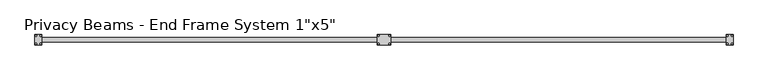
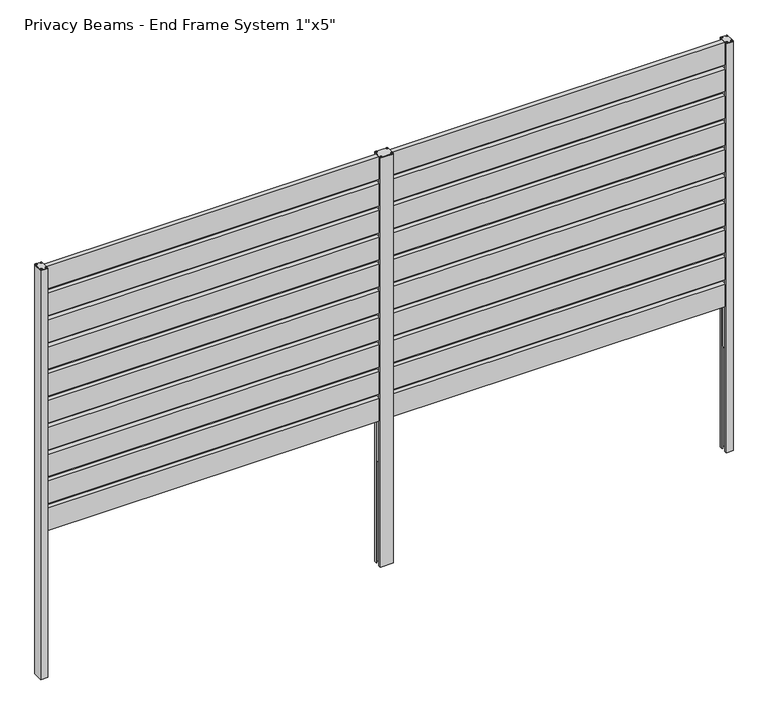
"""IFC4 building model written with IfcOpenShell, lengths in millimetres: railing geometry."""

from ifc_helpers import new_model, si_unit, point, frame, frame_2d, origin, origin_with_axes, place, context, project, spatial, polyline, circle_curve, trimmed, segment, composite_curve, outline, extrude, source, transform, mapped, element, save


def railing_8815a171(model_context):
    return source(origin(), model_context, "Body", "SweptSolid", [
        extrude(outline(polyline([(4072.4719409, -43.6565), (4072.4719409, -18.2565), (7768.1719409, -18.2565), (7768.1719409, -43.6565), (4072.4719409, -43.6565)])), frame((0.0, 0.0, 1612.9), z_axis=(0.0, 0.0, 1.0), x_axis=(1.0, 0.0, 0.0)), (0.0, 0.0, 1.0), 127.0),
        extrude(outline(polyline([(4072.4719409, -43.6565), (4072.4719409, -18.2565), (7768.1719409, -18.2565), (7768.1719409, -43.6565), (4072.4719409, -43.6565)])), frame((0.0, 0.0, 1460.5), z_axis=(0.0, 0.0, 1.0), x_axis=(1.0, 0.0, 0.0)), (0.0, 0.0, 1.0), 127.0),
        extrude(outline(polyline([(4072.4719409, -43.6565), (4072.4719409, -18.2565), (7768.1719409, -18.2565), (7768.1719409, -43.6565), (4072.4719409, -43.6565)])), frame((0.0, 0.0, 1308.1), z_axis=(0.0, 0.0, 1.0), x_axis=(1.0, 0.0, 0.0)), (0.0, 0.0, 1.0), 127.0),
        extrude(outline(polyline([(4072.4719409, -43.6565), (4072.4719409, -18.2565), (7768.1719409, -18.2565), (7768.1719409, -43.6565), (4072.4719409, -43.6565)])), frame((0.0, 0.0, 1155.7), z_axis=(0.0, 0.0, 1.0), x_axis=(1.0, 0.0, 0.0)), (0.0, 0.0, 1.0), 127.0),
        extrude(outline(polyline([(4072.4719409, -43.6565), (4072.4719409, -18.2565), (7768.1719409, -18.2565), (7768.1719409, -43.6565), (4072.4719409, -43.6565)])), frame((0.0, 0.0, 1003.3), z_axis=(0.0, 0.0, 1.0), x_axis=(1.0, 0.0, 0.0)), (0.0, 0.0, 1.0), 127.0),
        extrude(outline(polyline([(4072.4719409, -43.6565), (4072.4719409, -18.2565), (7768.1719409, -18.2565), (7768.1719409, -43.6565), (4072.4719409, -43.6565)])), frame((0.0, 0.0, 850.9), z_axis=(0.0, 0.0, 1.0), x_axis=(1.0, 0.0, 0.0)), (0.0, 0.0, 1.0), 127.0),
        extrude(outline(polyline([(4072.4719409, -43.6565), (4072.4719409, -18.2565), (7768.1719409, -18.2565), (7768.1719409, -43.6565), (4072.4719409, -43.6565)])), frame((0.0, 0.0, 698.5), z_axis=(0.0, 0.0, 1.0), x_axis=(1.0, 0.0, 0.0)), (0.0, 0.0, 1.0), 127.0),
        extrude(outline(polyline([(4072.4719409, -43.6565), (4072.4719409, -18.2565), (7768.1719409, -18.2565), (7768.1719409, -43.6565), (4072.4719409, -43.6565)])), frame((0.0, 0.0, 546.1), z_axis=(0.0, 0.0, 1.0), x_axis=(1.0, 0.0, 0.0)), (0.0, 0.0, 1.0), 127.0),
        extrude(outline(polyline([(4072.4719409, -43.6565), (4072.4719409, -18.2565), (7768.1719409, -18.2565), (7768.1719409, -43.6565), (4072.4719409, -43.6565)])), frame((0.0, 0.0, 393.7), z_axis=(0.0, 0.0, 1.0), x_axis=(1.0, 0.0, 0.0)), (0.0, 0.0, 1.0), 127.0),
        extrude(outline(polyline([(4072.4719409, -43.6565), (4072.4719409, -18.2565), (7768.1719409, -18.2565), (7768.1719409, -43.6565), (4072.4719409, -43.6565)])), frame((0.0, 0.0, 241.3), z_axis=(0.0, 0.0, 1.0), x_axis=(1.0, 0.0, 0.0)), (0.0, 0.0, 1.0), 127.0),
        extrude(outline(polyline([(5888.9209879, -13.4105), (5918.3854879, -13.4105), (5918.3854879, -48.5025), (5888.9209879, -48.5025), (5888.9209879, -13.4105)])), origin_with_axes(), (0.0, 0.0, 1.0), 1739.9),
        extrude(outline(polyline([(5951.722894, -13.4105), (5951.722894, -48.5025), (5922.258394, -48.5025), (5922.258394, -13.4105), (5951.722894, -13.4105)])), origin_with_axes(), (0.0, 0.0, 1.0), 1739.9),
        extrude(outline(polyline([(5885.3967379, -3.969), (5955.247144, -3.969), (5955.247144, -17.4691), (5952.071644, -17.4691), (5952.071644, -7.144), (5921.909144, -7.144), (5921.909144, -54.769), (5952.071644, -54.769), (5952.071644, -44.4439), (5955.247144, -44.4439), (5955.247144, -57.944), (5885.3967379, -57.944), (5885.3967379, -44.4439), (5888.5722379, -44.4439), (5888.5722379, -54.769), (5918.7347379, -54.769), (5918.7347379, -7.144), (5888.5722379, -7.144), (5888.5722379, -17.4691), (5885.3967379, -17.4691), (5885.3967379, -3.969)])), frame((0.0, 0.0, -579.9666667), z_axis=(0.0, 0.0, 1.0), x_axis=(1.0, 0.0, 0.0)), (0.0, 0.0, 1.0), 2319.8666667),
        extrude(outline(polyline([(5885.3967379, -3.969), (5955.247144, -3.969), (5955.247144, -57.944), (5885.3967379, -57.944), (5885.3967379, -3.969)])), frame((0.0, 0.0, 1739.9), z_axis=(0.0, 0.0, 1.0), x_axis=(1.0, 0.0, 0.0)), (0.0, 0.0, 1.0), 4.0792363),
        extrude(outline(composite_curve([segment(trimmed(circle_curve(frame_2d((5890.9849625, -9.1125)), 4.2243107), [point((5886.7606518, -9.1125))], [point((5895.2092732, -9.1125))], False, "CARTESIAN"), True, "CONTINUOUS"), segment(trimmed(circle_curve(frame_2d((5890.9849625, -9.1125)), 4.2243107), [point((5895.2092732, -9.1125))], [point((5886.7606518, -9.1125))], False, "CARTESIAN"), True, "CONTINUOUS")], self_intersect=False)), frame((0.0, 0.0, 1743.9792363), z_axis=(0.0, 0.0, 1.0), x_axis=(1.0, 0.0, 0.0)), (0.0, 0.0, 1.0), 1.6499867),
        extrude(outline(composite_curve([segment(trimmed(circle_curve(frame_2d((5890.9849625, -52.8005)), 4.2243107), [point((5886.7606518, -52.8005))], [point((5895.2092732, -52.8005))], False, "CARTESIAN"), True, "CONTINUOUS"), segment(trimmed(circle_curve(frame_2d((5890.9849625, -52.8005)), 4.2243107), [point((5895.2092732, -52.8005))], [point((5886.7606518, -52.8005))], False, "CARTESIAN"), True, "CONTINUOUS")], self_intersect=False)), frame((0.0, 0.0, 1743.9792363), z_axis=(0.0, 0.0, 1.0), x_axis=(1.0, 0.0, 0.0)), (0.0, 0.0, 1.0), 1.6499867),
        extrude(outline(composite_curve([segment(trimmed(circle_curve(frame_2d((5949.6589194, -9.1125)), 4.2243107), [point((5945.4346087, -9.1125))], [point((5953.8832301, -9.1125))], False, "CARTESIAN"), True, "CONTINUOUS"), segment(trimmed(circle_curve(frame_2d((5949.6589194, -9.1125)), 4.2243107), [point((5953.8832301, -9.1125))], [point((5945.4346087, -9.1125))], False, "CARTESIAN"), True, "CONTINUOUS")], self_intersect=False)), frame((0.0, 0.0, 1743.9792363), z_axis=(0.0, 0.0, 1.0), x_axis=(1.0, 0.0, 0.0)), (0.0, 0.0, 1.0), 1.6499867),
        extrude(outline(composite_curve([segment(trimmed(circle_curve(frame_2d((5949.6589194, -52.8005)), 4.2243107), [point((5945.4346087, -52.8005))], [point((5953.88323, -52.8005))], False, "CARTESIAN"), True, "CONTINUOUS"), segment(trimmed(circle_curve(frame_2d((5949.6589194, -52.8005)), 4.2243107), [point((5953.88323, -52.8005))], [point((5945.4346087, -52.8005))], False, "CARTESIAN"), True, "CONTINUOUS")], self_intersect=False)), frame((0.0, 0.0, 1743.9792363), z_axis=(0.0, 0.0, 1.0), x_axis=(1.0, 0.0, 0.0)), (0.0, 0.0, 1.0), 1.6499867),
        extrude(outline(polyline([(7776.9034409, -3.969), (7776.9034409, -57.944), (7740.3904409, -57.944), (7740.3904409, -3.969), (7776.9034409, -3.969)])), frame((0.0, 0.0, 1739.9), z_axis=(0.0, 0.0, 1.0), x_axis=(1.0, 0.0, 0.0)), (0.0, 0.0, 1.0), 4.0792363),
        extrude(outline(polyline([(7743.9146909, -13.4105), (7773.3791909, -13.4105), (7773.3791909, -48.5025), (7743.9146909, -48.5025), (7743.9146909, -13.4105)])), origin_with_axes(), (0.0, 0.0, 1.0), 1739.9),
        extrude(outline(polyline([(7776.9034409, -3.969), (7776.9034409, -57.944), (7740.3904409, -57.944), (7740.3904409, -44.4439), (7743.5659409, -44.4439), (7743.5659409, -54.769), (7773.7284409, -54.769), (7773.7284409, -7.144), (7743.5659409, -7.144), (7743.5659409, -17.4691), (7740.3904409, -17.4691), (7740.3904409, -3.969), (7776.9034409, -3.969)])), frame((0.0, 0.0, -579.9666667), z_axis=(0.0, 0.0, 1.0), x_axis=(1.0, 0.0, 0.0)), (0.0, 0.0, 1.0), 2319.8666667),
        extrude(outline(composite_curve([segment(trimmed(circle_curve(frame_2d((7771.2329409, -9.1125)), 4.2243107), [point((7775.4572516, -9.1125))], [point((7767.0086302, -9.1125))], False, "CARTESIAN"), True, "CONTINUOUS"), segment(trimmed(circle_curve(frame_2d((7771.2329409, -9.1125)), 4.2243107), [point((7767.0086302, -9.1125))], [point((7775.4572516, -9.1125))], False, "CARTESIAN"), True, "CONTINUOUS")], self_intersect=False)), frame((0.0, 0.0, 1743.9792363), z_axis=(0.0, 0.0, 1.0), x_axis=(1.0, 0.0, 0.0)), (0.0, 0.0, 1.0), 1.6499867),
        extrude(outline(composite_curve([segment(trimmed(circle_curve(frame_2d((7746.0609409, -9.1125)), 4.2243107), [point((7750.2852516, -9.1125))], [point((7741.8366302, -9.1125))], False, "CARTESIAN"), True, "CONTINUOUS"), segment(trimmed(circle_curve(frame_2d((7746.0609409, -9.1125)), 4.2243107), [point((7741.8366302, -9.1125))], [point((7750.2852516, -9.1125))], False, "CARTESIAN"), True, "CONTINUOUS")], self_intersect=False)), frame((0.0, 0.0, 1743.9792363), z_axis=(0.0, 0.0, 1.0), x_axis=(1.0, 0.0, 0.0)), (0.0, 0.0, 1.0), 1.6499867),
        extrude(outline(composite_curve([segment(trimmed(circle_curve(frame_2d((7746.0609409, -52.8005)), 4.2243107), [point((7750.2852516, -52.8005))], [point((7741.8366302, -52.8005))], False, "CARTESIAN"), True, "CONTINUOUS"), segment(trimmed(circle_curve(frame_2d((7746.0609409, -52.8005)), 4.2243107), [point((7741.8366302, -52.8005))], [point((7750.2852516, -52.8005))], False, "CARTESIAN"), True, "CONTINUOUS")], self_intersect=False)), frame((0.0, 0.0, 1743.9792363), z_axis=(0.0, 0.0, 1.0), x_axis=(1.0, 0.0, 0.0)), (0.0, 0.0, 1.0), 1.6499867),
        extrude(outline(composite_curve([segment(trimmed(circle_curve(frame_2d((7771.2329409, -52.8005)), 4.2243107), [point((7775.4572516, -52.8005))], [point((7767.0086302, -52.8005))], False, "CARTESIAN"), True, "CONTINUOUS"), segment(trimmed(circle_curve(frame_2d((7771.2329409, -52.8005)), 4.2243107), [point((7767.0086302, -52.8005))], [point((7775.4572516, -52.8005))], False, "CARTESIAN"), True, "CONTINUOUS")], self_intersect=False)), frame((0.0, 0.0, 1743.9792363), z_axis=(0.0, 0.0, 1.0), x_axis=(1.0, 0.0, 0.0)), (0.0, 0.0, 1.0), 1.6499867),
        extrude(outline(polyline([(4063.7404409, -3.969), (4100.2534409, -3.969), (4100.2534409, -57.944), (4063.7404409, -57.944), (4063.7404409, -3.969)])), frame((0.0, 0.0, 1739.9), z_axis=(0.0, 0.0, 1.0), x_axis=(1.0, 0.0, 0.0)), (0.0, 0.0, 1.0), 4.0792363),
        extrude(outline(polyline([(4096.7291909, -13.4105), (4096.7291909, -48.5025), (4067.2646909, -48.5025), (4067.2646909, -13.4105), (4096.7291909, -13.4105)])), origin_with_axes(), (0.0, 0.0, 1.0), 1739.9),
        extrude(outline(polyline([(4063.7404409, -3.969), (4100.2534409, -3.969), (4100.2534409, -17.4691), (4097.0779409, -17.4691), (4097.0779409, -7.144), (4066.9154409, -7.144), (4066.9154409, -54.769), (4097.0779409, -54.769), (4097.0779409, -44.4439), (4100.2534409, -44.4439), (4100.2534409, -57.944), (4063.7404409, -57.944), (4063.7404409, -3.969)])), frame((0.0, 0.0, -579.9666667), z_axis=(0.0, 0.0, 1.0), x_axis=(1.0, 0.0, 0.0)), (0.0, 0.0, 1.0), 2319.8666667),
        extrude(outline(composite_curve([segment(trimmed(circle_curve(frame_2d((4069.4109409, -9.1125)), 4.2243107), [point((4065.1866302, -9.1125))], [point((4073.6352516, -9.1125))], False, "CARTESIAN"), True, "CONTINUOUS"), segment(trimmed(circle_curve(frame_2d((4069.4109409, -9.1125)), 4.2243107), [point((4073.6352516, -9.1125))], [point((4065.1866302, -9.1125))], False, "CARTESIAN"), True, "CONTINUOUS")], self_intersect=False)), frame((0.0, 0.0, 1743.9792363), z_axis=(0.0, 0.0, 1.0), x_axis=(1.0, 0.0, 0.0)), (0.0, 0.0, 1.0), 1.6499867),
        extrude(outline(composite_curve([segment(trimmed(circle_curve(frame_2d((4094.5829409, -9.1125)), 4.2243107), [point((4090.3586302, -9.1125))], [point((4098.8072516, -9.1125))], False, "CARTESIAN"), True, "CONTINUOUS"), segment(trimmed(circle_curve(frame_2d((4094.5829409, -9.1125)), 4.2243107), [point((4098.8072516, -9.1125))], [point((4090.3586302, -9.1125))], False, "CARTESIAN"), True, "CONTINUOUS")], self_intersect=False)), frame((0.0, 0.0, 1743.9792363), z_axis=(0.0, 0.0, 1.0), x_axis=(1.0, 0.0, 0.0)), (0.0, 0.0, 1.0), 1.6499867),
        extrude(outline(composite_curve([segment(trimmed(circle_curve(frame_2d((4094.5829409, -52.8005)), 4.2243107), [point((4090.3586302, -52.8005))], [point((4098.8072516, -52.8005))], False, "CARTESIAN"), True, "CONTINUOUS"), segment(trimmed(circle_curve(frame_2d((4094.5829409, -52.8005)), 4.2243107), [point((4098.8072516, -52.8005))], [point((4090.3586302, -52.8005))], False, "CARTESIAN"), True, "CONTINUOUS")], self_intersect=False)), frame((0.0, 0.0, 1743.9792363), z_axis=(0.0, 0.0, 1.0), x_axis=(1.0, 0.0, 0.0)), (0.0, 0.0, 1.0), 1.6499867),
        extrude(outline(composite_curve([segment(trimmed(circle_curve(frame_2d((4069.4109409, -52.8005)), 4.2243107), [point((4065.1866302, -52.8005))], [point((4073.6352516, -52.8005))], False, "CARTESIAN"), True, "CONTINUOUS"), segment(trimmed(circle_curve(frame_2d((4069.4109409, -52.8005)), 4.2243107), [point((4073.6352516, -52.8005))], [point((4065.1866302, -52.8005))], False, "CARTESIAN"), True, "CONTINUOUS")], self_intersect=False)), frame((0.0, 0.0, 1743.9792363), z_axis=(0.0, 0.0, 1.0), x_axis=(1.0, 0.0, 0.0)), (0.0, 0.0, 1.0), 1.6499867),
    ])


if __name__ == "__main__":
    model = new_model("IFC4")
    model_context = context("Model", 3, world=origin())
    ifc_project = project(units=[si_unit("LENGTHUNIT", "METRE", prefix="MILLI")], contexts=[model_context])
    site = spatial("IfcSite", under=ifc_project)
    building = spatial("IfcBuilding", under=site)
    placement = place(None, origin())
    railing_shape = railing_8815a171(model_context)
    element("IfcRailing", 1, ObjectType="Privacy Beams - End Frame System 1\"x5\"", at=placement, inside=building, context=model_context, shape_type="MappedRepresentation", body=[
        mapped(railing_shape, transform((0.0, 0.0, 0.0), x_axis=(1.0, 0.0, 0.0), y_axis=(0.0, 1.0, 0.0), z_axis=(0.0, 0.0, 1.0))),
    ])
    save(model, "model.ifc")
